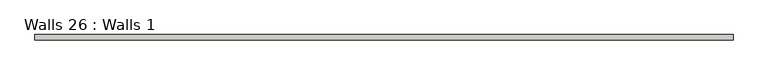
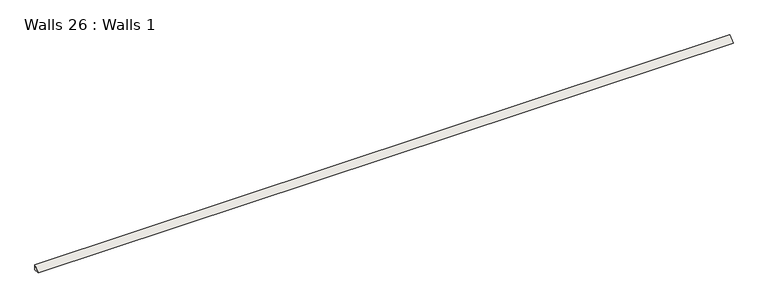
"""IFC4 building model written with IfcOpenShell, lengths in millimetres: wall geometry, Walls 26 : Walls 1."""

from ifc_helpers import new_model, si_unit, frame, origin, place, context, project, spatial, polyline, outline, extrude, source, transform, mapped, element, save


def walls_26_walls_1_b7c834fc(model_context):
    return source(origin(), model_context, "Body", "SweptSolid", [
        extrude(outline(polyline([(1925.2837812, 19.05), (1925.2837812, 0.0), (1906.2337812, 0.0), (1925.2837812, 19.05)])), frame((965.49031, 0.0, 0.0), z_axis=(1.0, 0.0, 0.0), x_axis=(0.0, 1.0, 0.0)), (0.0, 0.0, 1.0), 2438.4),
    ])


if __name__ == "__main__":
    model = new_model("IFC4")
    model_context = context("Model", 3, world=origin())
    ifc_project = project(units=[si_unit("LENGTHUNIT", "METRE", prefix="MILLI")], contexts=[model_context])
    site = spatial("IfcSite", under=ifc_project)
    building = spatial("IfcBuilding", under=site)
    placement = place(None, origin())
    walls_26_walls_1_shape = walls_26_walls_1_b7c834fc(model_context)
    element("IfcWall", 1, ObjectType="Walls 26 : Walls 1", at=placement, inside=building, context=model_context, shape_type="MappedRepresentation", body=[
        mapped(walls_26_walls_1_shape, transform((0.0, 0.0, 0.0), x_axis=(1.0, 0.0, 0.0), y_axis=(0.0, 1.0, 0.0), z_axis=(0.0, 0.0, 1.0))),
    ])
    save(model, "model.ifc")
